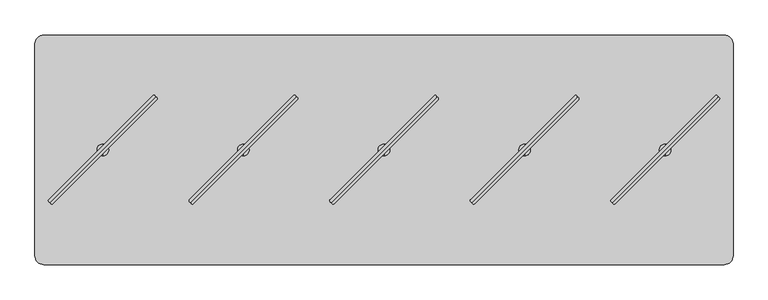
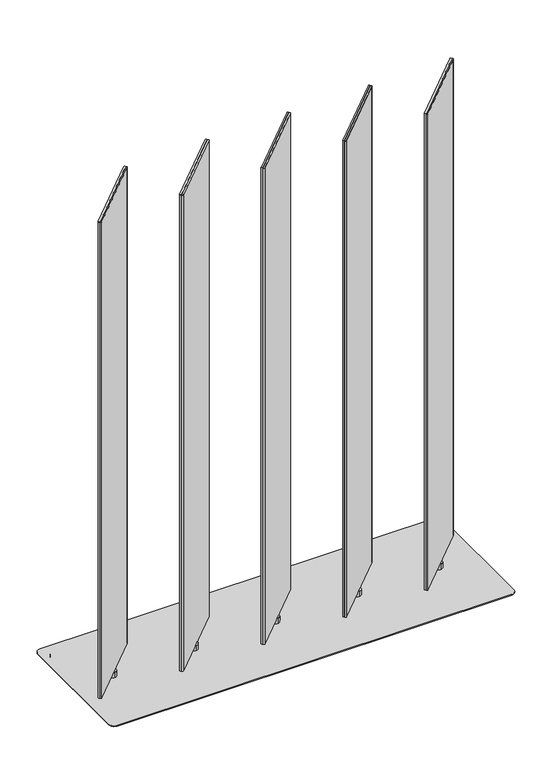
"""IFC4 building model written with IfcOpenShell, lengths in millimetres: furniture geometry."""

from ifc_helpers import new_model, si_unit, point, frame, frame_2d, origin, origin_with_axes, place, context, project, spatial, polyline, circle_curve, trimmed, segment, composite_curve, outline, extrude, source, transform, mapped, element, save
from ifc_brep_helpers import plane_surface, cylinder_surface, advanced_brep


def furniture_6bfc43e4(model_context):
    return source(origin(), model_context, "Body", "SolidModel", [
        extrude(outline(composite_curve([segment(trimmed(circle_curve(frame_2d((486.9461154, -180.9165485)), 3.0144975), [point((489.0781344, -183.0476726))], [point((484.81456, -178.7849606))], False, "CARTESIAN"), True, "CONTINUOUS"), segment(polyline([(484.81456, -178.7849606), (706.8263161, 43.2234083)]), True, "CONTINUOUS"), segment(trimmed(circle_curve(frame_2d((708.8820345, 41.0642596)), 2.9812584), [point((706.8263161, 43.2234083))], [point((711.0420147, 39.0094149))], False, "CARTESIAN"), True, "CONTINUOUS"), segment(polyline([(711.0420147, 39.0094149), (489.0781344, -183.0476726)]), True, "CONTINUOUS")], self_intersect=False)), frame((0.0, 0.0, 44.4119983), z_axis=(0.0, 0.0, 1.0), x_axis=(1.0, 0.0, 0.0)), (0.0, 0.0, 1.0), 1849.882),
        extrude(outline(composite_curve([segment(polyline([(489.0388267, -183.0083649), (711.0959142, 38.9555155)]), True, "CONTINUOUS"), segment(trimmed(circle_curve(frame_2d((713.1507589, 36.7955352)), 2.9812584), [point((711.0959142, 38.9555155))], [point((715.3099076, 34.7398168))], False, "CARTESIAN"), True, "CONTINUOUS"), segment(polyline([(715.3099076, 34.7398168), (493.3015387, -187.2719392)]), True, "CONTINUOUS"), segment(trimmed(circle_curve(frame_2d((491.1699508, -185.1403839)), 3.0144975), [point((493.3015387, -187.2719392))], [point((489.0388267, -183.0083649))], False, "CARTESIAN"), True, "CONTINUOUS")], self_intersect=False)), frame((0.0, 0.0, 44.4119983), z_axis=(0.0, 0.0, 1.0), x_axis=(1.0, 0.0, 0.0)), (0.0, 0.0, 1.0), 1849.882),
        advanced_brep(
        [(599.9988, -84.5709522, 44.4119983), (599.9988, -59.5748171, 44.4119983), (599.9988, -59.5748171, 23.6755986), (599.9988, -84.5709522, 23.6755986), (599.9988, -72.0728847, 44.4119983), (599.9988, -72.0728847, 23.6755986)],
        [
            (0, 1, circle_curve(frame((599.9988, -72.0728847, 44.4119983), z_axis=(0.0, 0.0, -1.0), x_axis=(0.0, 1.0, 0.0)), 12.4980675)),
            (1, 2),
            (2, 3, circle_curve(frame((599.9988, -72.0728847, 23.6755986), z_axis=(0.0, 0.0, 1.0), x_axis=(0.0, 1.0, 0.0)), 12.4980675)),
            (3, 0),
            (4, 1),
            (0, 4),
            (0, 1, circle_curve(frame((599.9988, -72.0728847, 44.4119983), z_axis=(0.0, 0.0, 1.0), x_axis=(0.0, 1.0, 0.0)), 12.4980675)),
            (2, 5),
            (5, 3),
            (2, 3, circle_curve(frame((599.9988, -72.0728847, 23.6755986), z_axis=(0.0, 0.0, -1.0), x_axis=(0.0, 1.0, 0.0)), 12.4980675)),
        ],
        [
            cylinder_surface(frame((599.9988, -72.0728847, 51.9527758), z_axis=(0.0, 0.0, 1.0), x_axis=(0.0, 1.0, 0.0)), 12.4980675),
            plane_surface(frame((599.9988, -72.0728847, 44.4119983), z_axis=(0.0, 0.0, 1.0), x_axis=(0.0, 1.0, 0.0))),
            plane_surface(frame((599.9988, -72.0728847, 23.6755986), z_axis=(0.0, 0.0, -1.0), x_axis=(0.0, 1.0, 0.0))),
        ],
        [
            (0, [[1, 2, 3, 4]]),
            (1, [[5, -1, 6]]),
            (1, [[-6, 7, -5]]),
            (2, [[-3, 8, 9]]),
            (2, [[10, -9, -8]]),
            (0, [[-7, -4, -10, -2]]),
        ],
    ),
        extrude(outline(composite_curve([segment(trimmed(circle_curve(frame_2d((186.9467154, -180.9165485)), 3.0144975), [point((189.0787344, -183.0476726))], [point((184.81516, -178.7849606))], False, "CARTESIAN"), True, "CONTINUOUS"), segment(polyline([(184.81516, -178.7849606), (406.8269161, 43.2234083)]), True, "CONTINUOUS"), segment(trimmed(circle_curve(frame_2d((408.8826345, 41.0642596)), 2.9812584), [point((406.8269161, 43.2234083))], [point((411.0426147, 39.0094149))], False, "CARTESIAN"), True, "CONTINUOUS"), segment(polyline([(411.0426147, 39.0094149), (189.0787344, -183.0476726)]), True, "CONTINUOUS")], self_intersect=False)), frame((0.0, 0.0, 44.4119983), z_axis=(0.0, 0.0, 1.0), x_axis=(1.0, 0.0, 0.0)), (0.0, 0.0, 1.0), 1849.882),
        extrude(outline(composite_curve([segment(polyline([(189.0394267, -183.0083649), (411.0965142, 38.9555155)]), True, "CONTINUOUS"), segment(trimmed(circle_curve(frame_2d((413.1513589, 36.7955352)), 2.9812584), [point((411.0965142, 38.9555155))], [point((415.3105076, 34.7398168))], False, "CARTESIAN"), True, "CONTINUOUS"), segment(polyline([(415.3105076, 34.7398168), (193.3021387, -187.2719392)]), True, "CONTINUOUS"), segment(trimmed(circle_curve(frame_2d((191.1705508, -185.1403839)), 3.0144975), [point((193.3021387, -187.2719392))], [point((189.0394267, -183.0083649))], False, "CARTESIAN"), True, "CONTINUOUS")], self_intersect=False)), frame((0.0, 0.0, 44.4119983), z_axis=(0.0, 0.0, 1.0), x_axis=(1.0, 0.0, 0.0)), (0.0, 0.0, 1.0), 1849.882),
        advanced_brep(
        [(299.9994, -84.5709522, 44.4119983), (299.9994, -59.5748171, 44.4119983), (299.9994, -59.5748171, 23.6755986), (299.9994, -84.5709522, 23.6755986), (299.9994, -72.0728847, 44.4119983), (299.9994, -72.0728847, 23.6755986)],
        [
            (0, 1, circle_curve(frame((299.9994, -72.0728847, 44.4119983), z_axis=(0.0, 0.0, -1.0), x_axis=(0.0, 1.0, 0.0)), 12.4980675)),
            (1, 2),
            (2, 3, circle_curve(frame((299.9994, -72.0728847, 23.6755986), z_axis=(0.0, 0.0, 1.0), x_axis=(0.0, 1.0, 0.0)), 12.4980675)),
            (3, 0),
            (4, 1),
            (0, 4),
            (0, 1, circle_curve(frame((299.9994, -72.0728847, 44.4119983), z_axis=(0.0, 0.0, 1.0), x_axis=(0.0, 1.0, 0.0)), 12.4980675)),
            (2, 5),
            (5, 3),
            (2, 3, circle_curve(frame((299.9994, -72.0728847, 23.6755986), z_axis=(0.0, 0.0, -1.0), x_axis=(0.0, 1.0, 0.0)), 12.4980675)),
        ],
        [
            cylinder_surface(frame((299.9994, -72.0728847, 51.9527758), z_axis=(0.0, 0.0, 1.0), x_axis=(0.0, 1.0, 0.0)), 12.4980675),
            plane_surface(frame((299.9994, -72.0728847, 44.4119983), z_axis=(0.0, 0.0, 1.0), x_axis=(0.0, 1.0, 0.0))),
            plane_surface(frame((299.9994, -72.0728847, 23.6755986), z_axis=(0.0, 0.0, -1.0), x_axis=(0.0, 1.0, 0.0))),
        ],
        [
            (0, [[1, 2, 3, 4]]),
            (1, [[5, -1, 6]]),
            (1, [[-6, 7, -5]]),
            (2, [[-3, 8, 9]]),
            (2, [[10, -9, -8]]),
            (0, [[-7, -4, -10, -2]]),
        ],
    ),
        extrude(outline(composite_curve([segment(trimmed(circle_curve(frame_2d((-113.0526846, -180.9165485)), 3.0144975), [point((-110.9206656, -183.0476726))], [point((-115.18424, -178.7849606))], False, "CARTESIAN"), True, "CONTINUOUS"), segment(polyline([(-115.18424, -178.7849606), (106.8275161, 43.2234083)]), True, "CONTINUOUS"), segment(trimmed(circle_curve(frame_2d((108.8832345, 41.0642596)), 2.9812584), [point((106.8275161, 43.2234083))], [point((111.0432147, 39.0094149))], False, "CARTESIAN"), True, "CONTINUOUS"), segment(polyline([(111.0432147, 39.0094149), (-110.9206656, -183.0476726)]), True, "CONTINUOUS")], self_intersect=False)), frame((0.0, 0.0, 44.4119983), z_axis=(0.0, 0.0, 1.0), x_axis=(1.0, 0.0, 0.0)), (0.0, 0.0, 1.0), 1849.882),
        extrude(outline(composite_curve([segment(polyline([(-110.9599733, -183.0083649), (111.0971142, 38.9555155)]), True, "CONTINUOUS"), segment(trimmed(circle_curve(frame_2d((113.1519589, 36.7955352)), 2.9812584), [point((111.0971142, 38.9555155))], [point((115.3111076, 34.7398168))], False, "CARTESIAN"), True, "CONTINUOUS"), segment(polyline([(115.3111076, 34.7398168), (-106.6972613, -187.2719392)]), True, "CONTINUOUS"), segment(trimmed(circle_curve(frame_2d((-108.8288492, -185.1403839)), 3.0144975), [point((-106.6972613, -187.2719392))], [point((-110.9599733, -183.0083649))], False, "CARTESIAN"), True, "CONTINUOUS")], self_intersect=False)), frame((0.0, 0.0, 44.4119983), z_axis=(0.0, 0.0, 1.0), x_axis=(1.0, 0.0, 0.0)), (0.0, 0.0, 1.0), 1849.882),
        advanced_brep(
        [(0.0, -84.5709522, 44.4119983), (0.0, -59.5748171, 44.4119983), (0.0, -59.5748171, 23.6755986), (0.0, -84.5709522, 23.6755986), (0.0, -72.0728847, 44.4119983), (0.0, -72.0728847, 23.6755986)],
        [
            (0, 1, circle_curve(frame((0.0, -72.0728847, 44.4119983), z_axis=(0.0, 0.0, -1.0), x_axis=(0.0, 1.0, 0.0)), 12.4980675)),
            (1, 2),
            (2, 3, circle_curve(frame((0.0, -72.0728847, 23.6755986), z_axis=(0.0, 0.0, 1.0), x_axis=(0.0, 1.0, 0.0)), 12.4980675)),
            (3, 0),
            (4, 1),
            (0, 4),
            (0, 1, circle_curve(frame((0.0, -72.0728847, 44.4119983), z_axis=(0.0, 0.0, 1.0), x_axis=(0.0, 1.0, 0.0)), 12.4980675)),
            (2, 5),
            (5, 3),
            (2, 3, circle_curve(frame((0.0, -72.0728847, 23.6755986), z_axis=(0.0, 0.0, -1.0), x_axis=(0.0, 1.0, 0.0)), 12.4980675)),
        ],
        [
            cylinder_surface(frame((0.0, -72.0728847, 51.9527758), z_axis=(0.0, 0.0, 1.0), x_axis=(0.0, 1.0, 0.0)), 12.4980675),
            plane_surface(frame((0.0, -72.0728847, 44.4119983), z_axis=(0.0, 0.0, 1.0), x_axis=(0.0, 1.0, 0.0))),
            plane_surface(frame((0.0, -72.0728847, 23.6755986), z_axis=(0.0, 0.0, -1.0), x_axis=(0.0, 1.0, 0.0))),
        ],
        [
            (0, [[1, 2, 3, 4]]),
            (1, [[5, -1, 6]]),
            (1, [[-6, 7, -5]]),
            (2, [[-3, 8, 9]]),
            (2, [[10, -9, -8]]),
            (0, [[-7, -4, -10, -2]]),
        ],
    ),
        extrude(outline(composite_curve([segment(trimmed(circle_curve(frame_2d((-413.0520846, -180.9165485)), 3.0144975), [point((-410.9200656, -183.0476726))], [point((-415.18364, -178.7849606))], False, "CARTESIAN"), True, "CONTINUOUS"), segment(polyline([(-415.18364, -178.7849606), (-193.1718839, 43.2234083)]), True, "CONTINUOUS"), segment(trimmed(circle_curve(frame_2d((-191.1161655, 41.0642596)), 2.9812584), [point((-193.1718839, 43.2234083))], [point((-188.9561853, 39.0094149))], False, "CARTESIAN"), True, "CONTINUOUS"), segment(polyline([(-188.9561853, 39.0094149), (-410.9200656, -183.0476726)]), True, "CONTINUOUS")], self_intersect=False)), frame((0.0, 0.0, 44.4119983), z_axis=(0.0, 0.0, 1.0), x_axis=(1.0, 0.0, 0.0)), (0.0, 0.0, 1.0), 1849.882),
        extrude(outline(composite_curve([segment(polyline([(-410.9593733, -183.0083649), (-188.9022858, 38.9555155)]), True, "CONTINUOUS"), segment(trimmed(circle_curve(frame_2d((-186.8474411, 36.7955352)), 2.9812584), [point((-188.9022858, 38.9555155))], [point((-184.6882924, 34.7398168))], False, "CARTESIAN"), True, "CONTINUOUS"), segment(polyline([(-184.6882924, 34.7398168), (-406.6966613, -187.2719392)]), True, "CONTINUOUS"), segment(trimmed(circle_curve(frame_2d((-408.8282492, -185.1403839)), 3.0144975), [point((-406.6966613, -187.2719392))], [point((-410.9593733, -183.0083649))], False, "CARTESIAN"), True, "CONTINUOUS")], self_intersect=False)), frame((0.0, 0.0, 44.4119983), z_axis=(0.0, 0.0, 1.0), x_axis=(1.0, 0.0, 0.0)), (0.0, 0.0, 1.0), 1849.882),
        advanced_brep(
        [(-299.9994, -84.5709522, 44.4119983), (-299.9994, -59.5748171, 44.4119983), (-299.9994, -59.5748171, 23.6755986), (-299.9994, -84.5709522, 23.6755986), (-299.9994, -72.0728847, 44.4119983), (-299.9994, -72.0728847, 23.6755986)],
        [
            (0, 1, circle_curve(frame((-299.9994, -72.0728847, 44.4119983), z_axis=(0.0, 0.0, -1.0), x_axis=(0.0, 1.0, 0.0)), 12.4980675)),
            (1, 2),
            (2, 3, circle_curve(frame((-299.9994, -72.0728847, 23.6755986), z_axis=(0.0, 0.0, 1.0), x_axis=(0.0, 1.0, 0.0)), 12.4980675)),
            (3, 0),
            (4, 1),
            (0, 4),
            (0, 1, circle_curve(frame((-299.9994, -72.0728847, 44.4119983), z_axis=(0.0, 0.0, 1.0), x_axis=(0.0, 1.0, 0.0)), 12.4980675)),
            (2, 5),
            (5, 3),
            (2, 3, circle_curve(frame((-299.9994, -72.0728847, 23.6755986), z_axis=(0.0, 0.0, -1.0), x_axis=(0.0, 1.0, 0.0)), 12.4980675)),
        ],
        [
            cylinder_surface(frame((-299.9994, -72.0728847, 51.9527758), z_axis=(0.0, 0.0, 1.0), x_axis=(0.0, 1.0, 0.0)), 12.4980675),
            plane_surface(frame((-299.9994, -72.0728847, 44.4119983), z_axis=(0.0, 0.0, 1.0), x_axis=(0.0, 1.0, 0.0))),
            plane_surface(frame((-299.9994, -72.0728847, 23.6755986), z_axis=(0.0, 0.0, -1.0), x_axis=(0.0, 1.0, 0.0))),
        ],
        [
            (0, [[1, 2, 3, 4]]),
            (1, [[5, -1, 6]]),
            (1, [[-6, 7, -5]]),
            (2, [[-3, 8, 9]]),
            (2, [[10, -9, -8]]),
            (0, [[-7, -4, -10, -2]]),
        ],
    ),
        extrude(outline(composite_curve([segment(trimmed(circle_curve(frame_2d((-713.0514846, -180.9165485)), 3.0144975), [point((-710.9194656, -183.0476726))], [point((-715.18304, -178.7849606))], False, "CARTESIAN"), True, "CONTINUOUS"), segment(polyline([(-715.18304, -178.7849606), (-493.1712839, 43.2234083)]), True, "CONTINUOUS"), segment(trimmed(circle_curve(frame_2d((-491.1155655, 41.0642596)), 2.9812584), [point((-493.1712839, 43.2234083))], [point((-488.9555853, 39.0094149))], False, "CARTESIAN"), True, "CONTINUOUS"), segment(polyline([(-488.9555853, 39.0094149), (-710.9194656, -183.0476726)]), True, "CONTINUOUS")], self_intersect=False)), frame((0.0, 0.0, 44.4119983), z_axis=(0.0, 0.0, 1.0), x_axis=(1.0, 0.0, 0.0)), (0.0, 0.0, 1.0), 1849.882),
        extrude(outline(composite_curve([segment(polyline([(-710.9587733, -183.0083649), (-488.9016858, 38.9555155)]), True, "CONTINUOUS"), segment(trimmed(circle_curve(frame_2d((-486.8468411, 36.7955352)), 2.9812584), [point((-488.9016858, 38.9555155))], [point((-484.6876924, 34.7398168))], False, "CARTESIAN"), True, "CONTINUOUS"), segment(polyline([(-484.6876924, 34.7398168), (-706.6960613, -187.2719392)]), True, "CONTINUOUS"), segment(trimmed(circle_curve(frame_2d((-708.8276492, -185.1403839)), 3.0144975), [point((-706.6960613, -187.2719392))], [point((-710.9587733, -183.0083649))], False, "CARTESIAN"), True, "CONTINUOUS")], self_intersect=False)), frame((0.0, 0.0, 44.4119983), z_axis=(0.0, 0.0, 1.0), x_axis=(1.0, 0.0, 0.0)), (0.0, 0.0, 1.0), 1849.882),
        advanced_brep(
        [(-599.9988, -84.5709522, 44.4119983), (-599.9988, -59.5748171, 44.4119983), (-599.9988, -59.5748171, 23.6755986), (-599.9988, -84.5709522, 23.6755986), (-599.9988, -72.0728847, 44.4119983), (-599.9988, -72.0728847, 23.6755986)],
        [
            (0, 1, circle_curve(frame((-599.9988, -72.0728847, 44.4119983), z_axis=(0.0, 0.0, -1.0), x_axis=(0.0, 1.0, 0.0)), 12.4980675)),
            (1, 2),
            (2, 3, circle_curve(frame((-599.9988, -72.0728847, 23.6755986), z_axis=(0.0, 0.0, 1.0), x_axis=(0.0, 1.0, 0.0)), 12.4980675)),
            (3, 0),
            (4, 1),
            (0, 4),
            (0, 1, circle_curve(frame((-599.9988, -72.0728847, 44.4119983), z_axis=(0.0, 0.0, 1.0), x_axis=(0.0, 1.0, 0.0)), 12.4980675)),
            (2, 5),
            (5, 3),
            (2, 3, circle_curve(frame((-599.9988, -72.0728847, 23.6755986), z_axis=(0.0, 0.0, -1.0), x_axis=(0.0, 1.0, 0.0)), 12.4980675)),
        ],
        [
            cylinder_surface(frame((-599.9988, -72.0728847, 51.9527758), z_axis=(0.0, 0.0, 1.0), x_axis=(0.0, 1.0, 0.0)), 12.4980675),
            plane_surface(frame((-599.9988, -72.0728847, 44.4119983), z_axis=(0.0, 0.0, 1.0), x_axis=(0.0, 1.0, 0.0))),
            plane_surface(frame((-599.9988, -72.0728847, 23.6755986), z_axis=(0.0, 0.0, -1.0), x_axis=(0.0, 1.0, 0.0))),
        ],
        [
            (0, [[1, 2, 3, 4]]),
            (1, [[5, -1, 6]]),
            (1, [[-6, 7, -5]]),
            (2, [[-3, 8, 9]]),
            (2, [[10, -9, -8]]),
            (0, [[-7, -4, -10, -2]]),
        ],
    ),
        extrude(outline(composite_curve([segment(polyline([(-695.7695, 142.9271143), (695.7695, 142.9271143)]), True, "CONTINUOUS"), segment(trimmed(circle_curve(frame_2d((695.7695, 123.8771143)), 19.05), [point((695.7695, 142.9271143))], [point((714.8195, 123.8771143))], False, "CARTESIAN"), True, "CONTINUOUS"), segment(polyline([(714.8195, 123.8771143), (714.8195, -268.0228972)]), True, "CONTINUOUS"), segment(trimmed(circle_curve(frame_2d((695.7695, -268.0228972)), 19.05), [point((714.8195, -268.0228972))], [point((695.7695, -287.0728972))], False, "CARTESIAN"), True, "CONTINUOUS"), segment(polyline([(695.7695, -287.0728972), (-695.7695, -287.0728972)]), True, "CONTINUOUS"), segment(trimmed(circle_curve(frame_2d((-695.7695, -268.0228972)), 19.05), [point((-695.7695, -287.0728972))], [point((-714.8195, -268.0228972))], False, "CARTESIAN"), True, "CONTINUOUS"), segment(polyline([(-714.8195, -268.0228972), (-714.8195, 123.8771143)]), True, "CONTINUOUS"), segment(trimmed(circle_curve(frame_2d((-695.7695, 123.8771143)), 19.05), [point((-714.8195, 123.8771143))], [point((-695.7695, 142.9271143))], False, "CARTESIAN"), True, "CONTINUOUS")], self_intersect=False)), origin_with_axes(), (0.0, 0.0, 1.0), 20.6756),
        extrude(outline(composite_curve([segment(trimmed(circle_curve(frame_2d((725.932, 153.8601153)), 19.05), [point((725.932, 172.9101153))], [point((744.982, 153.8601153))], False, "CARTESIAN"), True, "CONTINUOUS"), segment(polyline([(744.982, 153.8601153), (744.982, -298.0058847)]), True, "CONTINUOUS"), segment(trimmed(circle_curve(frame_2d((725.932, -298.0058847)), 19.05), [point((744.982, -298.0058847))], [point((725.932, -317.0558847))], False, "CARTESIAN"), True, "CONTINUOUS"), segment(polyline([(725.932, -317.0558847), (-725.932, -317.0558847)]), True, "CONTINUOUS"), segment(trimmed(circle_curve(frame_2d((-725.932, -298.0058847)), 19.05), [point((-725.932, -317.0558847))], [point((-744.982, -298.0058847))], False, "CARTESIAN"), True, "CONTINUOUS"), segment(polyline([(-744.982, -298.0058847), (-744.982, 153.8601153)]), True, "CONTINUOUS"), segment(trimmed(circle_curve(frame_2d((-725.932, 153.8601153)), 19.05), [point((-744.982, 153.8601153))], [point((-725.932, 172.9101153))], False, "CARTESIAN"), True, "CONTINUOUS"), segment(polyline([(-725.932, 172.9101153), (725.932, 172.9101153)]), True, "CONTINUOUS")], self_intersect=False)), frame((0.0, 0.0, 20.6756), z_axis=(0.0, 0.0, 1.0), x_axis=(1.0, 0.0, 0.0)), (0.0, 0.0, 1.0), 2.9999986),
    ])


if __name__ == "__main__":
    model = new_model("IFC4")
    model_context = context("Model", 3, world=origin())
    ifc_project = project(units=[si_unit("LENGTHUNIT", "METRE", prefix="MILLI")], contexts=[model_context])
    site = spatial("IfcSite", under=ifc_project)
    building = spatial("IfcBuilding", under=site)
    placement = place(None, origin())
    furniture_shape = furniture_6bfc43e4(model_context)
    element("IfcFurniture", 1, at=placement, inside=building, context=model_context, shape_type="MappedRepresentation", body=[
        mapped(furniture_shape, transform((0.0, 0.0, 0.0), x_axis=(1.0, 0.0, 0.0), y_axis=(0.0, 1.0, 0.0), z_axis=(0.0, 0.0, 1.0))),
    ])
    save(model, "model.ifc")
